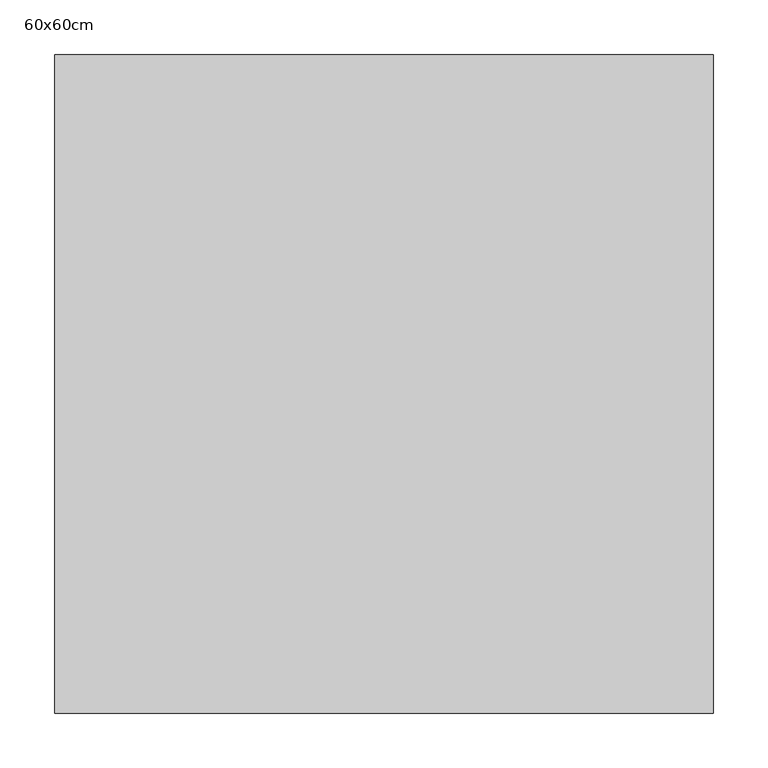
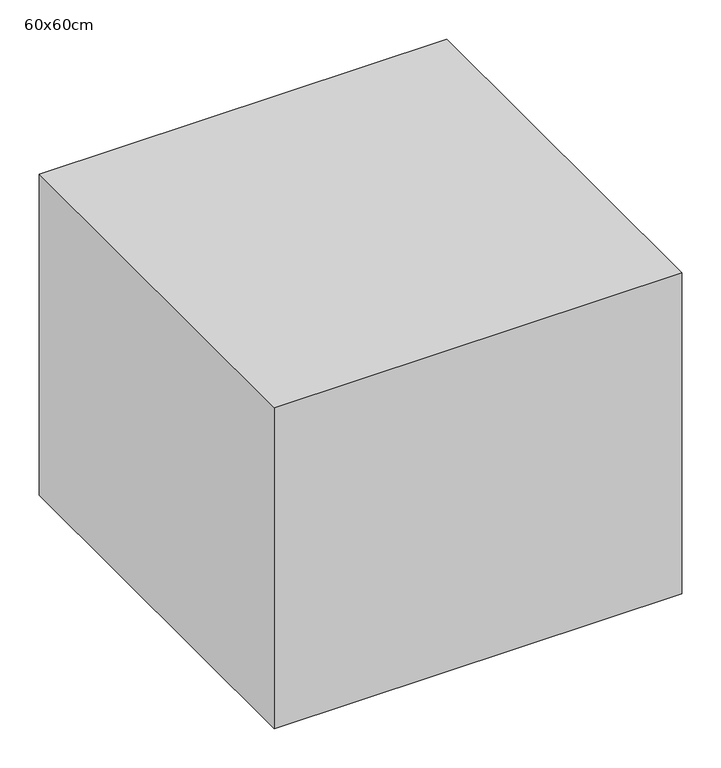
"""IFC4 building model written with IfcOpenShell, lengths in millimetres: proxy geometry, 60x60cm."""

from ifc_helpers import new_model, si_unit, frame, origin, place, context, project, spatial, polyline, outline, extrude, source, transform, mapped, element, save


def proxy_60x60cm_b7ce49cd(model_context):
    return source(origin(), model_context, "Body", "SweptSolid", [
        extrude(outline(polyline([(600.0, 600.0), (600.0, 0.0), (0.0, 0.0), (0.0, 600.0), (600.0, 600.0)])), frame((0.0, 0.0, 3000.0), z_axis=(0.0, 0.0, 1.0), x_axis=(1.0, 0.0, 0.0)), (0.0, 0.0, 1.0), 500.0),
    ])


if __name__ == "__main__":
    model = new_model("IFC4")
    model_context = context("Model", 3, world=origin())
    ifc_project = project(units=[si_unit("LENGTHUNIT", "METRE", prefix="MILLI")], contexts=[model_context])
    site = spatial("IfcSite", under=ifc_project)
    building = spatial("IfcBuilding", under=site)
    placement = place(None, origin())
    proxy_60x60cm_shape = proxy_60x60cm_b7ce49cd(model_context)
    element("IfcBuildingElementProxy", 1, Name="60x60cm", ObjectType="60x60cm", at=placement, inside=building, context=model_context, shape_type="MappedRepresentation", body=[
        mapped(proxy_60x60cm_shape, transform((0.0, 0.0, 0.0), x_axis=(1.0, 0.0, 0.0), y_axis=(0.0, 1.0, 0.0), z_axis=(0.0, 0.0, 1.0))),
    ])
    save(model, "model.ifc")
